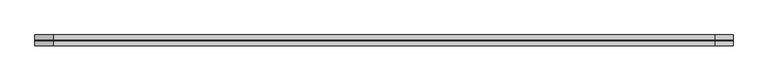
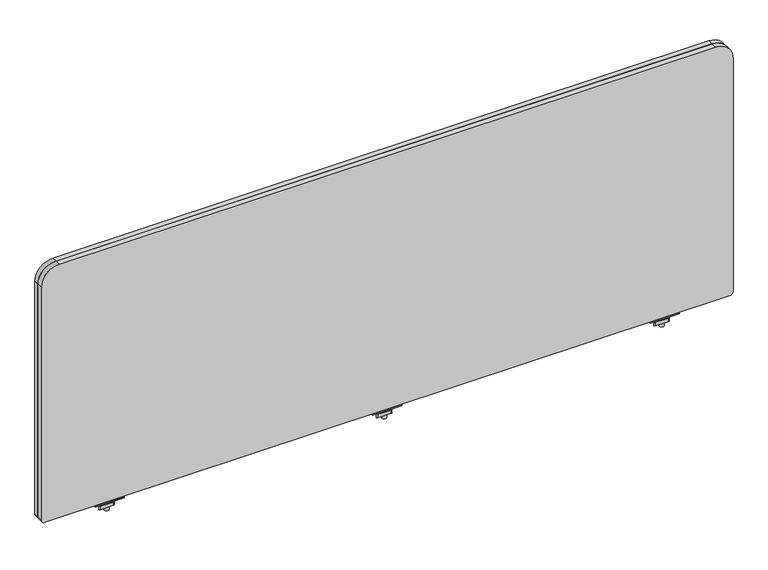
"""IFC4 building model written with IfcOpenShell, lengths in millimetres: furniture geometry."""

from ifc_helpers import new_model, si_unit, frame, origin, place, context, project, spatial, polyline, circle_curve, source, transform, mapped, element, save
from ifc_brep_helpers import plane_surface, cylinder_surface, revolved_surface, advanced_brep


def furniture_a3a7a8e6(model_context):
    return source(origin(), model_context, "Body", "AdvancedBrep", [
        advanced_brep(
        [(635.1013004, -29.196837, 670.6616072), (635.1013004, -33.5530914, 671.3021931), (635.1013004, -43.8905804, 671.3021931), (635.1013004, -48.246837, 670.6616072), (635.1013004, -48.246837, 668.8074326), (635.1013004, -29.196837, 668.8074326), (584.3013035, -29.196837, 670.6616072), (584.3013035, -29.196837, 668.8074326), (584.3013035, -48.246837, 668.8074326), (584.3013035, -48.246837, 670.6616072), (584.3013035, -43.8905804, 671.3021931), (584.3013035, -33.5530914, 671.3021931), (605.6085233, -38.7342719, 668.8074326), (613.5914767, -38.7342719, 668.8074326), (613.5914767, -38.7342719, 671.3021931), (605.6085233, -38.7342719, 671.3021931), (605.6085233, -38.7342719, 650.2879234), (613.5914767, -38.7342719, 650.2879234), (605.6085233, -38.7342719, 676.3883652), (613.5914767, -38.7342719, 676.3883652), (605.6085233, -38.7342719, 665.4211567), (613.5914767, -38.7342719, 665.4211567), (613.5914767, -38.7342719, 659.0711809), (605.6085233, -38.7342719, 659.0711809), (599.2839918, -33.0068357, 665.4211567), (593.1248209, -43.6748356, 665.4211567), (594.4446433, -45.9608347, 665.4211567), (617.4772346, -45.9608347, 665.4211567), (620.1168771, -44.4368361, 665.4211567), (626.2760487, -33.7688351, 665.4211567), (624.9562256, -31.4828349, 665.4211567), (601.9236383, -31.4828349, 665.4211567), (599.2839918, -33.0068357, 659.0711809), (601.9236383, -31.4828349, 659.0711809), (624.9562256, -31.4828349, 659.0711809), (626.2760487, -33.7688351, 659.0711809), (620.1168771, -44.4368361, 659.0711809), (617.4772346, -45.9608347, 659.0711809), (594.4446433, -45.9608347, 659.0711809), (593.1248209, -43.6748356, 659.0711809)],
        [
            (0, 1),
            (1, 2),
            (2, 3),
            (3, 4),
            (4, 5),
            (5, 0),
            (6, 7),
            (7, 8),
            (8, 9),
            (9, 10),
            (10, 11),
            (11, 6),
            (5, 7),
            (6, 0),
            (4, 8),
            (12, 13, circle_curve(frame((609.6, -38.7342719, 668.8074326), z_axis=(0.0, 0.0, 1.0), x_axis=(1.0, 0.0, 0.0)), 3.9914767)),
            (13, 12, circle_curve(frame((609.6, -38.7342719, 668.8074326), z_axis=(0.0, 0.0, 1.0), x_axis=(1.0, 0.0, 0.0)), 3.9914767)),
            (3, 9),
            (2, 10),
            (1, 11),
            (14, 15, circle_curve(frame((609.6, -38.7342719, 671.3021931), z_axis=(0.0, 0.0, -1.0), x_axis=(1.0, 0.0, 0.0)), 3.9914767)),
            (15, 14, circle_curve(frame((609.6, -38.7342719, 671.3021931), z_axis=(0.0, 0.0, -1.0), x_axis=(1.0, 0.0, 0.0)), 3.9914767)),
            (16, 17, circle_curve(frame((609.6, -38.7342719, 650.2879234), z_axis=(0.0, 0.0, -1.0), x_axis=(1.0, 0.0, 0.0)), 3.9914767)),
            (17, 16, circle_curve(frame((609.6, -38.7342719, 650.2879234), z_axis=(0.0, 0.0, -1.0), x_axis=(1.0, 0.0, 0.0)), 3.9914767)),
            (18, 19, circle_curve(frame((609.6, -38.7342719, 676.3883652), z_axis=(0.0, 0.0, 1.0), x_axis=(1.0, 0.0, 0.0)), 3.9914767)),
            (19, 18, circle_curve(frame((609.6, -38.7342719, 676.3883652), z_axis=(0.0, 0.0, 1.0), x_axis=(1.0, 0.0, 0.0)), 3.9914767)),
            (12, 20),
            (20, 21, circle_curve(frame((609.6, -38.7342719, 665.4211567), z_axis=(0.0, 0.0, 1.0), x_axis=(1.0, 0.0, 0.0)), 3.9914767)),
            (21, 13),
            (17, 22),
            (22, 23, circle_curve(frame((609.6, -38.7342719, 659.0711809), z_axis=(0.0, 0.0, -1.0), x_axis=(1.0, 0.0, 0.0)), 3.9914767)),
            (23, 16),
            (18, 15),
            (14, 19),
            (21, 20, circle_curve(frame((609.6, -38.7342719, 665.4211567), z_axis=(0.0, 0.0, 1.0), x_axis=(1.0, 0.0, 0.0)), 3.9914767)),
            (23, 22, circle_curve(frame((609.6, -38.7342719, 659.0711809), z_axis=(0.0, 0.0, -1.0), x_axis=(1.0, 0.0, 0.0)), 3.9914767)),
            (24, 25),
            (25, 26, circle_curve(frame((594.4446433, -44.4368352, 665.4211567), z_axis=(0.0, 0.0, 1.0), x_axis=(1.0, 0.0, 0.0)), 1.5239995)),
            (26, 27),
            (27, 28, circle_curve(frame((617.4772346, -42.9128382, 665.4211567), z_axis=(0.0, 0.0, 1.0), x_axis=(1.0, 0.0, 0.0)), 3.0479965)),
            (28, 29),
            (29, 30, circle_curve(frame((624.9562256, -33.0068351, 665.4211567), z_axis=(0.0, 0.0, 1.0), x_axis=(1.0, 0.0, 0.0)), 1.5240003)),
            (30, 31),
            (31, 24, circle_curve(frame((601.9236383, -34.5308359, 665.4211567), z_axis=(0.0, 0.0, 1.0), x_axis=(1.0, 0.0, 0.0)), 3.048001)),
            (32, 33, circle_curve(frame((601.9236383, -34.5308359, 659.0711809), z_axis=(0.0, 0.0, -1.0), x_axis=(1.0, 0.0, 0.0)), 3.048001)),
            (33, 34),
            (34, 35, circle_curve(frame((624.9562256, -33.0068351, 659.0711809), z_axis=(0.0, 0.0, -1.0), x_axis=(1.0, 0.0, 0.0)), 1.5240003)),
            (35, 36),
            (36, 37, circle_curve(frame((617.4772346, -42.9128382, 659.0711809), z_axis=(0.0, 0.0, -1.0), x_axis=(1.0, 0.0, 0.0)), 3.0479965)),
            (37, 38),
            (38, 39, circle_curve(frame((594.4446433, -44.4368352, 659.0711809), z_axis=(0.0, 0.0, -1.0), x_axis=(1.0, 0.0, 0.0)), 1.5239995)),
            (39, 32),
            (24, 32),
            (39, 25),
            (38, 26),
            (37, 27),
            (36, 28),
            (35, 29),
            (34, 30),
            (33, 31),
        ],
        [
            plane_surface(frame((635.1013004, -33.5530914, 671.3021931), z_axis=(1.0000000000000002, 0.0, 0.0), x_axis=(0.0, -0.9893604345476915, 0.14548515577749913))),
            plane_surface(frame((584.3013035, -33.5530914, 671.3021931), z_axis=(-1.0000000000000002, 0.0, 0.0), x_axis=(0.0, 0.9893604345476915, -0.14548515577749913))),
            plane_surface(frame((635.1013004, -29.196837, 668.8074326), z_axis=(0.0, 1.0, 0.0), x_axis=(-1.0, 0.0, 0.0))),
            plane_surface(frame((635.1013004, -48.246837, 668.8074326), z_axis=(0.0, 0.0, -1.0), x_axis=(-1.0, 0.0, 0.0))),
            plane_surface(frame((635.1013004, -48.246837, 670.6616072), z_axis=(0.0, -1.0, 0.0), x_axis=(-1.0, 0.0, 0.0))),
            plane_surface(frame((635.1013004, -43.8905804, 671.3021931), z_axis=(0.0, -0.1454850815406733, 0.9893604454641917), x_axis=(-1.0, 0.0, 0.0))),
            plane_surface(frame((635.1013004, -33.5530914, 671.3021931), z_axis=(0.0, 0.0, 1.0), x_axis=(-1.0, 0.0, 0.0))),
            plane_surface(frame((635.1013004, -29.196837, 670.6616072), z_axis=(0.0, 0.14548515577749913, 0.9893604345476915), x_axis=(-1.0, 0.0, 0.0))),
            plane_surface(frame((613.5914767, -38.7342719, 650.2879234), z_axis=(0.0, 0.0, -1.0), x_axis=(0.0, -1.0, 0.0))),
            plane_surface(frame((613.5914767, -38.7342719, 676.3883652), z_axis=(0.0, 0.0, 1.0), x_axis=(0.0, 1.0, 0.0))),
            cylinder_surface(frame((609.6, -38.7342719, 650.2879234), z_axis=(0.0, 0.0, 1.0), x_axis=(1.0, 0.0, 0.0)), 3.9914767),
            plane_surface(frame((593.1248201, -43.6748369, 665.4211567), z_axis=(0.0, 0.0, 1.0000000000000002), x_axis=(-0.4999998964528706, -0.8660254635673935, 0.0))),
            plane_surface(frame((593.1248201, -43.6748369, 659.0711809), z_axis=(0.0, 0.0, -1.0000000000000002), x_axis=(0.4999998964528706, 0.8660254635673935, 0.0))),
            plane_surface(frame((599.2839918, -33.0068357, 665.4211567), z_axis=(-0.8660254635673935, 0.4999998964528706, 0.0), x_axis=(0.0, 0.0, -1.0))),
            cylinder_surface(frame((594.4446433, -44.4368352, 659.0711809), z_axis=(0.0, 0.0, 1.0), x_axis=(1.0, 0.0, 0.0)), 1.5239995),
            plane_surface(frame((594.4446433, -45.9608347, 665.4211567), z_axis=(0.0, -1.0, 0.0), x_axis=(0.0, 0.0, -1.0))),
            cylinder_surface(frame((617.4772346, -42.9128382, 659.0711809), z_axis=(0.0, 0.0, 1.0), x_axis=(1.0, 0.0, 0.0)), 3.0479965),
            plane_surface(frame((620.1168771, -44.4368361, 665.4211567), z_axis=(0.8660254635674228, -0.4999998964528197, 0.0), x_axis=(0.0, 0.0, -1.0))),
            cylinder_surface(frame((624.9562256, -33.0068351, 659.0711809), z_axis=(0.0, 0.0, 1.0), x_axis=(1.0, 0.0, 0.0)), 1.5240003),
            plane_surface(frame((624.9562256, -31.4828349, 665.4211567), z_axis=(0.0, 1.0, 0.0), x_axis=(0.0, 0.0, -1.0))),
            cylinder_surface(frame((601.9236383, -34.5308359, 659.0711809), z_axis=(0.0, 0.0, 1.0), x_axis=(1.0, 0.0, 0.0)), 3.048001),
        ],
        [
            (0, [[1, 2, 3, 4, 5, 6]]),
            (1, [[7, 8, 9, 10, 11, 12]]),
            (2, [[-6, 13, -7, 14]]),
            (3, [[-5, 15, -8, -13], [16, 17]]),
            (4, [[-4, 18, -9, -15]]),
            (5, [[-3, 19, -10, -18]]),
            (6, [[-2, 20, -11, -19], [21, 22]]),
            (7, [[-1, -14, -12, -20]]),
            (8, [[23, 24]]),
            (9, [[25, 26]]),
            (10, [[-16, 27, 28, 29]]),
            (10, [[-24, 30, 31, 32]]),
            (10, [[-25, 33, -21, 34]]),
            (10, [[-17, -29, 35, -27]]),
            (10, [[-23, -32, 36, -30]]),
            (10, [[-26, -34, -22, -33]]),
            (11, [[37, 38, 39, 40, 41, 42, 43, 44], [-28, -35]]),
            (12, [[45, 46, 47, 48, 49, 50, 51, 52], [-31, -36]]),
            (13, [[-37, 53, -52, 54]]),
            (14, [[-38, -54, -51, 55]]),
            (15, [[-39, -55, -50, 56]]),
            (16, [[-40, -56, -49, 57]]),
            (17, [[-41, -57, -48, 58]]),
            (18, [[-42, -58, -47, 59]]),
            (19, [[-43, -59, -46, 60]]),
            (20, [[-44, -60, -45, -53]]),
        ],
    ),
        advanced_brep(
        [(1123.0353004, -29.196837, 670.6616072), (1123.0353004, -33.5530914, 671.3021931), (1123.0353004, -43.8905804, 671.3021931), (1123.0353004, -48.246837, 670.6616072), (1123.0353004, -48.246837, 668.8074326), (1123.0353004, -29.196837, 668.8074326), (1072.2353035, -29.196837, 670.6616072), (1072.2353035, -29.196837, 668.8074326), (1072.2353035, -48.246837, 668.8074326), (1072.2353035, -48.246837, 670.6616072), (1072.2353035, -43.8905804, 671.3021931), (1072.2353035, -33.5530914, 671.3021931), (1093.5425233, -38.7342719, 668.8074326), (1101.5254767, -38.7342719, 668.8074326), (1101.5254767, -38.7342719, 671.3021931), (1093.5425233, -38.7342719, 671.3021931), (1093.5425233, -38.7342719, 650.2879234), (1101.5254767, -38.7342719, 650.2879234), (1093.5425233, -38.7342719, 676.3883652), (1101.5254767, -38.7342719, 676.3883652), (1093.5425233, -38.7342719, 665.4211567), (1101.5254767, -38.7342719, 665.4211567), (1101.5254767, -38.7342719, 659.0711809), (1093.5425233, -38.7342719, 659.0711809), (1087.2179918, -33.0068357, 665.4211567), (1081.0588209, -43.6748356, 665.4211567), (1082.3786433, -45.9608347, 665.4211567), (1105.4112346, -45.9608347, 665.4211567), (1108.0508771, -44.4368361, 665.4211567), (1114.2100487, -33.7688351, 665.4211567), (1112.8902256, -31.4828349, 665.4211567), (1089.8576383, -31.4828349, 665.4211567), (1087.2179918, -33.0068357, 659.0711809), (1089.8576383, -31.4828349, 659.0711809), (1112.8902256, -31.4828349, 659.0711809), (1114.2100487, -33.7688351, 659.0711809), (1108.0508771, -44.4368361, 659.0711809), (1105.4112346, -45.9608347, 659.0711809), (1082.3786433, -45.9608347, 659.0711809), (1081.0588209, -43.6748356, 659.0711809)],
        [
            (0, 1),
            (1, 2),
            (2, 3),
            (3, 4),
            (4, 5),
            (5, 0),
            (6, 7),
            (7, 8),
            (8, 9),
            (9, 10),
            (10, 11),
            (11, 6),
            (5, 7),
            (6, 0),
            (4, 8),
            (12, 13, circle_curve(frame((1097.534, -38.7342719, 668.8074326), z_axis=(0.0, 0.0, 1.0), x_axis=(1.0, 0.0, 0.0)), 3.9914767)),
            (13, 12, circle_curve(frame((1097.534, -38.7342719, 668.8074326), z_axis=(0.0, 0.0, 1.0), x_axis=(1.0, 0.0, 0.0)), 3.9914767)),
            (3, 9),
            (2, 10),
            (1, 11),
            (14, 15, circle_curve(frame((1097.534, -38.7342719, 671.3021931), z_axis=(0.0, 0.0, -1.0), x_axis=(1.0, 0.0, 0.0)), 3.9914767)),
            (15, 14, circle_curve(frame((1097.534, -38.7342719, 671.3021931), z_axis=(0.0, 0.0, -1.0), x_axis=(1.0, 0.0, 0.0)), 3.9914767)),
            (16, 17, circle_curve(frame((1097.534, -38.7342719, 650.2879234), z_axis=(0.0, 0.0, -1.0), x_axis=(1.0, 0.0, 0.0)), 3.9914767)),
            (17, 16, circle_curve(frame((1097.534, -38.7342719, 650.2879234), z_axis=(0.0, 0.0, -1.0), x_axis=(1.0, 0.0, 0.0)), 3.9914767)),
            (18, 19, circle_curve(frame((1097.534, -38.7342719, 676.3883652), z_axis=(0.0, 0.0, 1.0), x_axis=(1.0, 0.0, 0.0)), 3.9914767)),
            (19, 18, circle_curve(frame((1097.534, -38.7342719, 676.3883652), z_axis=(0.0, 0.0, 1.0), x_axis=(1.0, 0.0, 0.0)), 3.9914767)),
            (12, 20),
            (20, 21, circle_curve(frame((1097.534, -38.7342719, 665.4211567), z_axis=(0.0, 0.0, 1.0), x_axis=(1.0, 0.0, 0.0)), 3.9914767)),
            (21, 13),
            (17, 22),
            (22, 23, circle_curve(frame((1097.534, -38.7342719, 659.0711809), z_axis=(0.0, 0.0, -1.0), x_axis=(1.0, 0.0, 0.0)), 3.9914767)),
            (23, 16),
            (18, 15),
            (14, 19),
            (21, 20, circle_curve(frame((1097.534, -38.7342719, 665.4211567), z_axis=(0.0, 0.0, 1.0), x_axis=(1.0, 0.0, 0.0)), 3.9914767)),
            (23, 22, circle_curve(frame((1097.534, -38.7342719, 659.0711809), z_axis=(0.0, 0.0, -1.0), x_axis=(1.0, 0.0, 0.0)), 3.9914767)),
            (24, 25),
            (25, 26, circle_curve(frame((1082.3786433, -44.4368352, 665.4211567), z_axis=(0.0, 0.0, 1.0), x_axis=(1.0, 0.0, 0.0)), 1.5239995)),
            (26, 27),
            (27, 28, circle_curve(frame((1105.4112346, -42.9128382, 665.4211567), z_axis=(0.0, 0.0, 1.0), x_axis=(1.0, 0.0, 0.0)), 3.0479965)),
            (28, 29),
            (29, 30, circle_curve(frame((1112.8902256, -33.0068351, 665.4211567), z_axis=(0.0, 0.0, 1.0), x_axis=(1.0, 0.0, 0.0)), 1.5240003)),
            (30, 31),
            (31, 24, circle_curve(frame((1089.8576383, -34.5308359, 665.4211567), z_axis=(0.0, 0.0, 1.0), x_axis=(1.0, 0.0, 0.0)), 3.048001)),
            (32, 33, circle_curve(frame((1089.8576383, -34.5308359, 659.0711809), z_axis=(0.0, 0.0, -1.0), x_axis=(1.0, 0.0, 0.0)), 3.048001)),
            (33, 34),
            (34, 35, circle_curve(frame((1112.8902256, -33.0068351, 659.0711809), z_axis=(0.0, 0.0, -1.0), x_axis=(1.0, 0.0, 0.0)), 1.5240003)),
            (35, 36),
            (36, 37, circle_curve(frame((1105.4112346, -42.9128382, 659.0711809), z_axis=(0.0, 0.0, -1.0), x_axis=(1.0, 0.0, 0.0)), 3.0479965)),
            (37, 38),
            (38, 39, circle_curve(frame((1082.3786433, -44.4368352, 659.0711809), z_axis=(0.0, 0.0, -1.0), x_axis=(1.0, 0.0, 0.0)), 1.5239995)),
            (39, 32),
            (24, 32),
            (39, 25),
            (38, 26),
            (37, 27),
            (36, 28),
            (35, 29),
            (34, 30),
            (33, 31),
        ],
        [
            plane_surface(frame((1123.0353004, -33.5530914, 671.3021931), z_axis=(1.0000000000000002, 0.0, 0.0), x_axis=(0.0, -0.9893604345476915, 0.14548515577749913))),
            plane_surface(frame((1072.2353035, -33.5530914, 671.3021931), z_axis=(-1.0000000000000002, 0.0, 0.0), x_axis=(0.0, 0.9893604345476915, -0.14548515577749913))),
            plane_surface(frame((1123.0353004, -29.196837, 668.8074326), z_axis=(0.0, 1.0, 0.0), x_axis=(-1.0, 0.0, 0.0))),
            plane_surface(frame((1123.0353004, -48.246837, 668.8074326), z_axis=(0.0, 0.0, -1.0), x_axis=(-1.0, 0.0, 0.0))),
            plane_surface(frame((1123.0353004, -48.246837, 670.6616072), z_axis=(0.0, -1.0, 0.0), x_axis=(-1.0, 0.0, 0.0))),
            plane_surface(frame((1123.0353004, -43.8905804, 671.3021931), z_axis=(0.0, -0.1454850815406733, 0.9893604454641917), x_axis=(-1.0, 0.0, 0.0))),
            plane_surface(frame((1123.0353004, -33.5530914, 671.3021931), z_axis=(0.0, 0.0, 1.0), x_axis=(-1.0, 0.0, 0.0))),
            plane_surface(frame((1123.0353004, -29.196837, 670.6616072), z_axis=(0.0, 0.14548515577749913, 0.9893604345476915), x_axis=(-1.0, 0.0, 0.0))),
            plane_surface(frame((1101.5254767, -38.7342719, 650.2879234), z_axis=(0.0, 0.0, -1.0), x_axis=(0.0, -1.0, 0.0))),
            plane_surface(frame((1101.5254767, -38.7342719, 676.3883652), z_axis=(0.0, 0.0, 1.0), x_axis=(0.0, 1.0, 0.0))),
            cylinder_surface(frame((1097.534, -38.7342719, 650.2879234), z_axis=(0.0, 0.0, 1.0), x_axis=(1.0, 0.0, 0.0)), 3.9914767),
            plane_surface(frame((1081.0588201, -43.6748369, 665.4211567), z_axis=(0.0, 0.0, 1.0000000000000002), x_axis=(-0.4999998964528706, -0.8660254635673935, 0.0))),
            plane_surface(frame((1081.0588201, -43.6748369, 659.0711809), z_axis=(0.0, 0.0, -1.0000000000000002), x_axis=(0.4999998964528706, 0.8660254635673935, 0.0))),
            plane_surface(frame((1087.2179918, -33.0068357, 665.4211567), z_axis=(-0.8660254635673935, 0.4999998964528706, 0.0), x_axis=(0.0, 0.0, -1.0))),
            cylinder_surface(frame((1082.3786433, -44.4368352, 659.0711809), z_axis=(0.0, 0.0, 1.0), x_axis=(1.0, 0.0, 0.0)), 1.5239995),
            plane_surface(frame((1082.3786433, -45.9608347, 665.4211567), z_axis=(0.0, -1.0, 0.0), x_axis=(0.0, 0.0, -1.0))),
            cylinder_surface(frame((1105.4112346, -42.9128382, 659.0711809), z_axis=(0.0, 0.0, 1.0), x_axis=(1.0, 0.0, 0.0)), 3.0479965),
            plane_surface(frame((1108.0508771, -44.4368361, 665.4211567), z_axis=(0.8660254635674228, -0.4999998964528197, 0.0), x_axis=(0.0, 0.0, -1.0))),
            cylinder_surface(frame((1112.8902256, -33.0068351, 659.0711809), z_axis=(0.0, 0.0, 1.0), x_axis=(1.0, 0.0, 0.0)), 1.5240003),
            plane_surface(frame((1112.8902256, -31.4828349, 665.4211567), z_axis=(0.0, 1.0, 0.0), x_axis=(0.0, 0.0, -1.0))),
            cylinder_surface(frame((1089.8576383, -34.5308359, 659.0711809), z_axis=(0.0, 0.0, 1.0), x_axis=(1.0, 0.0, 0.0)), 3.048001),
        ],
        [
            (0, [[1, 2, 3, 4, 5, 6]]),
            (1, [[7, 8, 9, 10, 11, 12]]),
            (2, [[-6, 13, -7, 14]]),
            (3, [[-5, 15, -8, -13], [16, 17]]),
            (4, [[-4, 18, -9, -15]]),
            (5, [[-3, 19, -10, -18]]),
            (6, [[-2, 20, -11, -19], [21, 22]]),
            (7, [[-1, -14, -12, -20]]),
            (8, [[23, 24]]),
            (9, [[25, 26]]),
            (10, [[-16, 27, 28, 29]]),
            (10, [[-24, 30, 31, 32]]),
            (10, [[-25, 33, -21, 34]]),
            (10, [[-17, -29, 35, -27]]),
            (10, [[-23, -32, 36, -30]]),
            (10, [[-26, -34, -22, -33]]),
            (11, [[37, 38, 39, 40, 41, 42, 43, 44], [-28, -35]]),
            (12, [[45, 46, 47, 48, 49, 50, 51, 52], [-31, -36]]),
            (13, [[-37, 53, -52, 54]]),
            (14, [[-38, -54, -51, 55]]),
            (15, [[-39, -55, -50, 56]]),
            (16, [[-40, -56, -49, 57]]),
            (17, [[-41, -57, -48, 58]]),
            (18, [[-42, -58, -47, 59]]),
            (19, [[-43, -59, -46, 60]]),
            (20, [[-44, -60, -45, -53]]),
        ],
    ),
        advanced_brep(
        [(635.1013004, -29.196837, 670.6616072), (635.1013004, -33.5530914, 671.3021931), (635.1013004, -43.8905804, 671.3021931), (635.1013004, -48.246837, 670.6616072), (635.1013004, -48.246837, 668.8074326), (635.1013004, -29.196837, 668.8074326), (584.3013035, -29.196837, 670.6616072), (584.3013035, -29.196837, 668.8074326), (584.3013035, -48.246837, 668.8074326), (584.3013035, -48.246837, 670.6616072), (584.3013035, -43.8905804, 671.3021931), (584.3013035, -33.5530914, 671.3021931), (605.6085233, -38.7342719, 668.8074326), (613.5914767, -38.7342719, 668.8074326), (613.5914767, -38.7342719, 671.3021931), (605.6085233, -38.7342719, 671.3021931), (605.6085233, -38.7342719, 650.2879234), (613.5914767, -38.7342719, 650.2879234), (605.6085233, -38.7342719, 676.3883652), (613.5914767, -38.7342719, 676.3883652), (605.6085233, -38.7342719, 665.4211567), (613.5914767, -38.7342719, 665.4211567), (613.5914767, -38.7342719, 659.0711809), (605.6085233, -38.7342719, 659.0711809), (599.2839918, -33.0068357, 665.4211567), (593.1248209, -43.6748356, 665.4211567), (594.4446433, -45.9608347, 665.4211567), (617.4772346, -45.9608347, 665.4211567), (620.1168771, -44.4368361, 665.4211567), (626.2760487, -33.7688351, 665.4211567), (624.9562256, -31.4828349, 665.4211567), (601.9236383, -31.4828349, 665.4211567), (599.2839918, -33.0068357, 659.0711809), (601.9236383, -31.4828349, 659.0711809), (624.9562256, -31.4828349, 659.0711809), (626.2760487, -33.7688351, 659.0711809), (620.1168771, -44.4368361, 659.0711809), (617.4772346, -45.9608347, 659.0711809), (594.4446433, -45.9608347, 659.0711809), (593.1248209, -43.6748356, 659.0711809)],
        [
            (0, 1),
            (1, 2),
            (2, 3),
            (3, 4),
            (4, 5),
            (5, 0),
            (6, 7),
            (7, 8),
            (8, 9),
            (9, 10),
            (10, 11),
            (11, 6),
            (5, 7),
            (6, 0),
            (4, 8),
            (12, 13, circle_curve(frame((609.6, -38.7342719, 668.8074326), z_axis=(0.0, 0.0, 1.0), x_axis=(1.0, 0.0, 0.0)), 3.9914767)),
            (13, 12, circle_curve(frame((609.6, -38.7342719, 668.8074326), z_axis=(0.0, 0.0, 1.0), x_axis=(1.0, 0.0, 0.0)), 3.9914767)),
            (3, 9),
            (2, 10),
            (1, 11),
            (14, 15, circle_curve(frame((609.6, -38.7342719, 671.3021931), z_axis=(0.0, 0.0, -1.0), x_axis=(1.0, 0.0, 0.0)), 3.9914767)),
            (15, 14, circle_curve(frame((609.6, -38.7342719, 671.3021931), z_axis=(0.0, 0.0, -1.0), x_axis=(1.0, 0.0, 0.0)), 3.9914767)),
            (16, 17, circle_curve(frame((609.6, -38.7342719, 650.2879234), z_axis=(0.0, 0.0, -1.0), x_axis=(1.0, 0.0, 0.0)), 3.9914767)),
            (17, 16, circle_curve(frame((609.6, -38.7342719, 650.2879234), z_axis=(0.0, 0.0, -1.0), x_axis=(1.0, 0.0, 0.0)), 3.9914767)),
            (18, 19, circle_curve(frame((609.6, -38.7342719, 676.3883652), z_axis=(0.0, 0.0, 1.0), x_axis=(1.0, 0.0, 0.0)), 3.9914767)),
            (19, 18, circle_curve(frame((609.6, -38.7342719, 676.3883652), z_axis=(0.0, 0.0, 1.0), x_axis=(1.0, 0.0, 0.0)), 3.9914767)),
            (12, 20),
            (20, 21, circle_curve(frame((609.6, -38.7342719, 665.4211567), z_axis=(0.0, 0.0, 1.0), x_axis=(1.0, 0.0, 0.0)), 3.9914767)),
            (21, 13),
            (17, 22),
            (22, 23, circle_curve(frame((609.6, -38.7342719, 659.0711809), z_axis=(0.0, 0.0, -1.0), x_axis=(1.0, 0.0, 0.0)), 3.9914767)),
            (23, 16),
            (18, 15),
            (14, 19),
            (21, 20, circle_curve(frame((609.6, -38.7342719, 665.4211567), z_axis=(0.0, 0.0, 1.0), x_axis=(1.0, 0.0, 0.0)), 3.9914767)),
            (23, 22, circle_curve(frame((609.6, -38.7342719, 659.0711809), z_axis=(0.0, 0.0, -1.0), x_axis=(1.0, 0.0, 0.0)), 3.9914767)),
            (24, 25),
            (25, 26, circle_curve(frame((594.4446433, -44.4368352, 665.4211567), z_axis=(0.0, 0.0, 1.0), x_axis=(1.0, 0.0, 0.0)), 1.5239995)),
            (26, 27),
            (27, 28, circle_curve(frame((617.4772346, -42.9128382, 665.4211567), z_axis=(0.0, 0.0, 1.0), x_axis=(1.0, 0.0, 0.0)), 3.0479965)),
            (28, 29),
            (29, 30, circle_curve(frame((624.9562256, -33.0068351, 665.4211567), z_axis=(0.0, 0.0, 1.0), x_axis=(1.0, 0.0, 0.0)), 1.5240003)),
            (30, 31),
            (31, 24, circle_curve(frame((601.9236383, -34.5308359, 665.4211567), z_axis=(0.0, 0.0, 1.0), x_axis=(1.0, 0.0, 0.0)), 3.048001)),
            (32, 33, circle_curve(frame((601.9236383, -34.5308359, 659.0711809), z_axis=(0.0, 0.0, -1.0), x_axis=(1.0, 0.0, 0.0)), 3.048001)),
            (33, 34),
            (34, 35, circle_curve(frame((624.9562256, -33.0068351, 659.0711809), z_axis=(0.0, 0.0, -1.0), x_axis=(1.0, 0.0, 0.0)), 1.5240003)),
            (35, 36),
            (36, 37, circle_curve(frame((617.4772346, -42.9128382, 659.0711809), z_axis=(0.0, 0.0, -1.0), x_axis=(1.0, 0.0, 0.0)), 3.0479965)),
            (37, 38),
            (38, 39, circle_curve(frame((594.4446433, -44.4368352, 659.0711809), z_axis=(0.0, 0.0, -1.0), x_axis=(1.0, 0.0, 0.0)), 1.5239995)),
            (39, 32),
            (24, 32),
            (39, 25),
            (38, 26),
            (37, 27),
            (36, 28),
            (35, 29),
            (34, 30),
            (33, 31),
        ],
        [
            plane_surface(frame((635.1013004, -33.5530914, 671.3021931), z_axis=(1.0000000000000002, 0.0, 0.0), x_axis=(0.0, -0.9893604345476915, 0.14548515577749913))),
            plane_surface(frame((584.3013035, -33.5530914, 671.3021931), z_axis=(-1.0000000000000002, 0.0, 0.0), x_axis=(0.0, 0.9893604345476915, -0.14548515577749913))),
            plane_surface(frame((635.1013004, -29.196837, 668.8074326), z_axis=(0.0, 1.0, 0.0), x_axis=(-1.0, 0.0, 0.0))),
            plane_surface(frame((635.1013004, -48.246837, 668.8074326), z_axis=(0.0, 0.0, -1.0), x_axis=(-1.0, 0.0, 0.0))),
            plane_surface(frame((635.1013004, -48.246837, 670.6616072), z_axis=(0.0, -1.0, 0.0), x_axis=(-1.0, 0.0, 0.0))),
            plane_surface(frame((635.1013004, -43.8905804, 671.3021931), z_axis=(0.0, -0.1454850815406733, 0.9893604454641917), x_axis=(-1.0, 0.0, 0.0))),
            plane_surface(frame((635.1013004, -33.5530914, 671.3021931), z_axis=(0.0, 0.0, 1.0), x_axis=(-1.0, 0.0, 0.0))),
            plane_surface(frame((635.1013004, -29.196837, 670.6616072), z_axis=(0.0, 0.14548515577749913, 0.9893604345476915), x_axis=(-1.0, 0.0, 0.0))),
            plane_surface(frame((613.5914767, -38.7342719, 650.2879234), z_axis=(0.0, 0.0, -1.0), x_axis=(0.0, -1.0, 0.0))),
            plane_surface(frame((613.5914767, -38.7342719, 676.3883652), z_axis=(0.0, 0.0, 1.0), x_axis=(0.0, 1.0, 0.0))),
            cylinder_surface(frame((609.6, -38.7342719, 650.2879234), z_axis=(0.0, 0.0, 1.0), x_axis=(1.0, 0.0, 0.0)), 3.9914767),
            plane_surface(frame((593.1248201, -43.6748369, 665.4211567), z_axis=(0.0, 0.0, 1.0000000000000002), x_axis=(-0.4999998964528706, -0.8660254635673935, 0.0))),
            plane_surface(frame((593.1248201, -43.6748369, 659.0711809), z_axis=(0.0, 0.0, -1.0000000000000002), x_axis=(0.4999998964528706, 0.8660254635673935, 0.0))),
            plane_surface(frame((599.2839918, -33.0068357, 665.4211567), z_axis=(-0.8660254635673935, 0.4999998964528706, 0.0), x_axis=(0.0, 0.0, -1.0))),
            cylinder_surface(frame((594.4446433, -44.4368352, 659.0711809), z_axis=(0.0, 0.0, 1.0), x_axis=(1.0, 0.0, 0.0)), 1.5239995),
            plane_surface(frame((594.4446433, -45.9608347, 665.4211567), z_axis=(0.0, -1.0, 0.0), x_axis=(0.0, 0.0, -1.0))),
            cylinder_surface(frame((617.4772346, -42.9128382, 659.0711809), z_axis=(0.0, 0.0, 1.0), x_axis=(1.0, 0.0, 0.0)), 3.0479965),
            plane_surface(frame((620.1168771, -44.4368361, 665.4211567), z_axis=(0.8660254635674228, -0.4999998964528197, 0.0), x_axis=(0.0, 0.0, -1.0))),
            cylinder_surface(frame((624.9562256, -33.0068351, 659.0711809), z_axis=(0.0, 0.0, 1.0), x_axis=(1.0, 0.0, 0.0)), 1.5240003),
            plane_surface(frame((624.9562256, -31.4828349, 665.4211567), z_axis=(0.0, 1.0, 0.0), x_axis=(0.0, 0.0, -1.0))),
            cylinder_surface(frame((601.9236383, -34.5308359, 659.0711809), z_axis=(0.0, 0.0, 1.0), x_axis=(1.0, 0.0, 0.0)), 3.048001),
        ],
        [
            (0, [[1, 2, 3, 4, 5, 6]]),
            (1, [[7, 8, 9, 10, 11, 12]]),
            (2, [[-6, 13, -7, 14]]),
            (3, [[-5, 15, -8, -13], [16, 17]]),
            (4, [[-4, 18, -9, -15]]),
            (5, [[-3, 19, -10, -18]]),
            (6, [[-2, 20, -11, -19], [21, 22]]),
            (7, [[-1, -14, -12, -20]]),
            (8, [[23, 24]]),
            (9, [[25, 26]]),
            (10, [[-16, 27, 28, 29]]),
            (10, [[-24, 30, 31, 32]]),
            (10, [[-25, 33, -21, 34]]),
            (10, [[-17, -29, 35, -27]]),
            (10, [[-23, -32, 36, -30]]),
            (10, [[-26, -34, -22, -33]]),
            (11, [[37, 38, 39, 40, 41, 42, 43, 44], [-28, -35]]),
            (12, [[45, 46, 47, 48, 49, 50, 51, 52], [-31, -36]]),
            (13, [[-37, 53, -52, 54]]),
            (14, [[-38, -54, -51, 55]]),
            (15, [[-39, -55, -50, 56]]),
            (16, [[-40, -56, -49, 57]]),
            (17, [[-41, -57, -48, 58]]),
            (18, [[-42, -58, -47, 59]]),
            (19, [[-43, -59, -46, 60]]),
            (20, [[-44, -60, -45, -53]]),
        ],
    ),
        advanced_brep(
        [(147.1673004, -29.196837, 670.6616072), (147.1673004, -33.5530914, 671.3021931), (147.1673004, -43.8905804, 671.3021931), (147.1673004, -48.246837, 670.6616072), (147.1673004, -48.246837, 668.8074326), (147.1673004, -29.196837, 668.8074326), (96.3673035, -29.196837, 670.6616072), (96.3673035, -29.196837, 668.8074326), (96.3673035, -48.246837, 668.8074326), (96.3673035, -48.246837, 670.6616072), (96.3673035, -43.8905804, 671.3021931), (96.3673035, -33.5530914, 671.3021931), (117.6745233, -38.7342719, 668.8074326), (125.6574767, -38.7342719, 668.8074326), (125.6574767, -38.7342719, 671.3021931), (117.6745233, -38.7342719, 671.3021931), (117.6745233, -38.7342719, 650.2879234), (125.6574767, -38.7342719, 650.2879234), (117.6745233, -38.7342719, 676.3883652), (125.6574767, -38.7342719, 676.3883652), (117.6745233, -38.7342719, 665.4211567), (125.6574767, -38.7342719, 665.4211567), (125.6574767, -38.7342719, 659.0711809), (117.6745233, -38.7342719, 659.0711809), (111.3499918, -33.0068357, 665.4211567), (105.1908209, -43.6748356, 665.4211567), (106.5106433, -45.9608347, 665.4211567), (129.5432346, -45.9608347, 665.4211567), (132.1828771, -44.4368361, 665.4211567), (138.3420487, -33.7688351, 665.4211567), (137.0222256, -31.4828349, 665.4211567), (113.9896383, -31.4828349, 665.4211567), (111.3499918, -33.0068357, 659.0711809), (113.9896383, -31.4828349, 659.0711809), (137.0222256, -31.4828349, 659.0711809), (138.3420487, -33.7688351, 659.0711809), (132.1828771, -44.4368361, 659.0711809), (129.5432346, -45.9608347, 659.0711809), (106.5106433, -45.9608347, 659.0711809), (105.1908209, -43.6748356, 659.0711809)],
        [
            (0, 1),
            (1, 2),
            (2, 3),
            (3, 4),
            (4, 5),
            (5, 0),
            (6, 7),
            (7, 8),
            (8, 9),
            (9, 10),
            (10, 11),
            (11, 6),
            (5, 7),
            (6, 0),
            (4, 8),
            (12, 13, circle_curve(frame((121.666, -38.7342719, 668.8074326), z_axis=(0.0, 0.0, 1.0), x_axis=(1.0, 0.0, 0.0)), 3.9914767)),
            (13, 12, circle_curve(frame((121.666, -38.7342719, 668.8074326), z_axis=(0.0, 0.0, 1.0), x_axis=(1.0, 0.0, 0.0)), 3.9914767)),
            (3, 9),
            (2, 10),
            (1, 11),
            (14, 15, circle_curve(frame((121.666, -38.7342719, 671.3021931), z_axis=(0.0, 0.0, -1.0), x_axis=(1.0, 0.0, 0.0)), 3.9914767)),
            (15, 14, circle_curve(frame((121.666, -38.7342719, 671.3021931), z_axis=(0.0, 0.0, -1.0), x_axis=(1.0, 0.0, 0.0)), 3.9914767)),
            (16, 17, circle_curve(frame((121.666, -38.7342719, 650.2879234), z_axis=(0.0, 0.0, -1.0), x_axis=(1.0, 0.0, 0.0)), 3.9914767)),
            (17, 16, circle_curve(frame((121.666, -38.7342719, 650.2879234), z_axis=(0.0, 0.0, -1.0), x_axis=(1.0, 0.0, 0.0)), 3.9914767)),
            (18, 19, circle_curve(frame((121.666, -38.7342719, 676.3883652), z_axis=(0.0, 0.0, 1.0), x_axis=(1.0, 0.0, 0.0)), 3.9914767)),
            (19, 18, circle_curve(frame((121.666, -38.7342719, 676.3883652), z_axis=(0.0, 0.0, 1.0), x_axis=(1.0, 0.0, 0.0)), 3.9914767)),
            (12, 20),
            (20, 21, circle_curve(frame((121.666, -38.7342719, 665.4211567), z_axis=(0.0, 0.0, 1.0), x_axis=(1.0, 0.0, 0.0)), 3.9914767)),
            (21, 13),
            (17, 22),
            (22, 23, circle_curve(frame((121.666, -38.7342719, 659.0711809), z_axis=(0.0, 0.0, -1.0), x_axis=(1.0, 0.0, 0.0)), 3.9914767)),
            (23, 16),
            (18, 15),
            (14, 19),
            (21, 20, circle_curve(frame((121.666, -38.7342719, 665.4211567), z_axis=(0.0, 0.0, 1.0), x_axis=(1.0, 0.0, 0.0)), 3.9914767)),
            (23, 22, circle_curve(frame((121.666, -38.7342719, 659.0711809), z_axis=(0.0, 0.0, -1.0), x_axis=(1.0, 0.0, 0.0)), 3.9914767)),
            (24, 25),
            (25, 26, circle_curve(frame((106.5106433, -44.4368352, 665.4211567), z_axis=(0.0, 0.0, 1.0), x_axis=(1.0, 0.0, 0.0)), 1.5239995)),
            (26, 27),
            (27, 28, circle_curve(frame((129.5432346, -42.9128382, 665.4211567), z_axis=(0.0, 0.0, 1.0), x_axis=(1.0, 0.0, 0.0)), 3.0479965)),
            (28, 29),
            (29, 30, circle_curve(frame((137.0222256, -33.0068351, 665.4211567), z_axis=(0.0, 0.0, 1.0), x_axis=(1.0, 0.0, 0.0)), 1.5240003)),
            (30, 31),
            (31, 24, circle_curve(frame((113.9896383, -34.5308359, 665.4211567), z_axis=(0.0, 0.0, 1.0), x_axis=(1.0, 0.0, 0.0)), 3.048001)),
            (32, 33, circle_curve(frame((113.9896383, -34.5308359, 659.0711809), z_axis=(0.0, 0.0, -1.0), x_axis=(1.0, 0.0, 0.0)), 3.048001)),
            (33, 34),
            (34, 35, circle_curve(frame((137.0222256, -33.0068351, 659.0711809), z_axis=(0.0, 0.0, -1.0), x_axis=(1.0, 0.0, 0.0)), 1.5240003)),
            (35, 36),
            (36, 37, circle_curve(frame((129.5432346, -42.9128382, 659.0711809), z_axis=(0.0, 0.0, -1.0), x_axis=(1.0, 0.0, 0.0)), 3.0479965)),
            (37, 38),
            (38, 39, circle_curve(frame((106.5106433, -44.4368352, 659.0711809), z_axis=(0.0, 0.0, -1.0), x_axis=(1.0, 0.0, 0.0)), 1.5239995)),
            (39, 32),
            (24, 32),
            (39, 25),
            (38, 26),
            (37, 27),
            (36, 28),
            (35, 29),
            (34, 30),
            (33, 31),
        ],
        [
            plane_surface(frame((147.1673004, -33.5530914, 671.3021931), z_axis=(1.0000000000000002, 0.0, 0.0), x_axis=(0.0, -0.9893604345476915, 0.14548515577749913))),
            plane_surface(frame((96.3673035, -33.5530914, 671.3021931), z_axis=(-1.0000000000000002, 0.0, 0.0), x_axis=(0.0, 0.9893604345476915, -0.14548515577749913))),
            plane_surface(frame((147.1673004, -29.196837, 668.8074326), z_axis=(0.0, 1.0, 0.0), x_axis=(-1.0, 0.0, 0.0))),
            plane_surface(frame((147.1673004, -48.246837, 668.8074326), z_axis=(0.0, 0.0, -1.0), x_axis=(-1.0, 0.0, 0.0))),
            plane_surface(frame((147.1673004, -48.246837, 670.6616072), z_axis=(0.0, -1.0, 0.0), x_axis=(-1.0, 0.0, 0.0))),
            plane_surface(frame((147.1673004, -43.8905804, 671.3021931), z_axis=(0.0, -0.1454850815406733, 0.9893604454641917), x_axis=(-1.0, 0.0, 0.0))),
            plane_surface(frame((147.1673004, -33.5530914, 671.3021931), z_axis=(0.0, 0.0, 1.0), x_axis=(-1.0, 0.0, 0.0))),
            plane_surface(frame((147.1673004, -29.196837, 670.6616072), z_axis=(0.0, 0.14548515577749913, 0.9893604345476915), x_axis=(-1.0, 0.0, 0.0))),
            plane_surface(frame((125.6574767, -38.7342719, 650.2879234), z_axis=(0.0, 0.0, -1.0), x_axis=(0.0, -1.0, 0.0))),
            plane_surface(frame((125.6574767, -38.7342719, 676.3883652), z_axis=(0.0, 0.0, 1.0), x_axis=(0.0, 1.0, 0.0))),
            cylinder_surface(frame((121.666, -38.7342719, 650.2879234), z_axis=(0.0, 0.0, 1.0), x_axis=(1.0, 0.0, 0.0)), 3.9914767),
            plane_surface(frame((105.1908201, -43.6748369, 665.4211567), z_axis=(0.0, 0.0, 1.0000000000000002), x_axis=(-0.4999998964528706, -0.8660254635673935, 0.0))),
            plane_surface(frame((105.1908201, -43.6748369, 659.0711809), z_axis=(0.0, 0.0, -1.0000000000000002), x_axis=(0.4999998964528706, 0.8660254635673935, 0.0))),
            plane_surface(frame((111.3499918, -33.0068357, 665.4211567), z_axis=(-0.8660254635673935, 0.4999998964528706, 0.0), x_axis=(0.0, 0.0, -1.0))),
            cylinder_surface(frame((106.5106433, -44.4368352, 659.0711809), z_axis=(0.0, 0.0, 1.0), x_axis=(1.0, 0.0, 0.0)), 1.5239995),
            plane_surface(frame((106.5106433, -45.9608347, 665.4211567), z_axis=(0.0, -1.0, 0.0), x_axis=(0.0, 0.0, -1.0))),
            cylinder_surface(frame((129.5432346, -42.9128382, 659.0711809), z_axis=(0.0, 0.0, 1.0), x_axis=(1.0, 0.0, 0.0)), 3.0479965),
            plane_surface(frame((132.1828771, -44.4368361, 665.4211567), z_axis=(0.8660254635674228, -0.4999998964528197, 0.0), x_axis=(0.0, 0.0, -1.0))),
            cylinder_surface(frame((137.0222256, -33.0068351, 659.0711809), z_axis=(0.0, 0.0, 1.0), x_axis=(1.0, 0.0, 0.0)), 1.5240003),
            plane_surface(frame((137.0222256, -31.4828349, 665.4211567), z_axis=(0.0, 1.0, 0.0), x_axis=(0.0, 0.0, -1.0))),
            cylinder_surface(frame((113.9896383, -34.5308359, 659.0711809), z_axis=(0.0, 0.0, 1.0), x_axis=(1.0, 0.0, 0.0)), 3.048001),
        ],
        [
            (0, [[1, 2, 3, 4, 5, 6]]),
            (1, [[7, 8, 9, 10, 11, 12]]),
            (2, [[-6, 13, -7, 14]]),
            (3, [[-5, 15, -8, -13], [16, 17]]),
            (4, [[-4, 18, -9, -15]]),
            (5, [[-3, 19, -10, -18]]),
            (6, [[-2, 20, -11, -19], [21, 22]]),
            (7, [[-1, -14, -12, -20]]),
            (8, [[23, 24]]),
            (9, [[25, 26]]),
            (10, [[-16, 27, 28, 29]]),
            (10, [[-24, 30, 31, 32]]),
            (10, [[-25, 33, -21, 34]]),
            (10, [[-17, -29, 35, -27]]),
            (10, [[-23, -32, 36, -30]]),
            (10, [[-26, -34, -22, -33]]),
            (11, [[37, 38, 39, 40, 41, 42, 43, 44], [-28, -35]]),
            (12, [[45, 46, 47, 48, 49, 50, 51, 52], [-31, -36]]),
            (13, [[-37, 53, -52, 54]]),
            (14, [[-38, -54, -51, 55]]),
            (15, [[-39, -55, -50, 56]]),
            (16, [[-40, -56, -49, 57]]),
            (17, [[-41, -57, -48, 58]]),
            (18, [[-42, -58, -47, 59]]),
            (19, [[-43, -59, -46, 60]]),
            (20, [[-44, -60, -45, -53]]),
        ],
    ),
        advanced_brep(
        [(1.524, -39.0006475, 677.6986292), (7.874, -39.0006475, 671.3486292), (7.874, -48.2716273, 671.3486292), (1.524, -48.2716273, 677.6986292), (2.2976108, -38.7342719, 677.6986292), (7.874, -38.7342719, 672.12224), (1.524, -38.4678963, 677.6986292), (7.874, -38.4678963, 671.3486292), (1.524, -29.1969165, 677.6986292), (7.874, -29.1969165, 671.3486292), (1.524, -48.2716273, 1110.5145313), (1.524, -39.0006475, 1110.5145313), (2.2976108, -38.7342719, 1110.5145313), (1.524, -38.4678963, 1110.5145313), (1.524, -29.1969165, 1110.5145313), (33.274, -48.2716273, 1142.2645313), (33.274, -39.0006475, 1142.2645313), (33.274, -38.7342719, 1141.4909205), (33.274, -38.4678963, 1142.2645313), (33.274, -29.1969165, 1142.2645313), (1185.9255291, -48.2716273, 1142.2645313), (1185.9255291, -39.0006475, 1142.2645313), (1185.9255291, -38.7342719, 1141.4909205), (1185.9255291, -38.4678963, 1142.2645313), (1185.9255291, -29.1969165, 1142.2645313), (1217.6755291, -48.2716273, 1110.5145313), (1217.6755291, -39.0006475, 1110.5145313), (1216.9019183, -38.7342719, 1110.5145313), (1217.6755291, -38.4678963, 1110.5145313), (1217.6755291, -29.1969165, 1110.5145313), (1217.6755291, -48.2716273, 677.6986292), (1217.6755291, -39.0006475, 677.6986292), (1216.9019183, -38.7342719, 677.6986292), (1217.6755291, -38.4678963, 677.6986292), (1217.6755291, -29.1969165, 677.6986292), (1211.3255291, -48.2716273, 671.3486292), (1211.3255291, -39.0006475, 671.3486292), (1211.3255291, -38.7342719, 672.12224), (1211.3255291, -38.4678963, 671.3486292), (1211.3255291, -29.1969165, 671.3486292)],
        [
            (0, 1, circle_curve(frame((7.874, -39.0006475, 677.6986292), z_axis=(0.0, -1.0, 0.0), x_axis=(0.0, 0.0, -1.0)), 6.35)),
            (1, 2),
            (2, 3, circle_curve(frame((7.874, -48.2716273, 677.6986292), z_axis=(0.0, 1.0, 0.0), x_axis=(0.0, 0.0, -1.0)), 6.35)),
            (3, 0),
            (0, 4),
            (4, 5, circle_curve(frame((7.874, -38.7342719, 677.6986292), z_axis=(0.0, -1.0, 0.0), x_axis=(0.0, 0.0, -1.0)), 5.5763892)),
            (5, 1),
            (4, 6),
            (6, 7, circle_curve(frame((7.874, -38.4678963, 677.6986292), z_axis=(0.0, -1.0, 0.0), x_axis=(0.0, 0.0, -1.0)), 6.35)),
            (7, 5),
            (6, 8),
            (8, 9, circle_curve(frame((7.874, -29.1969165, 677.6986292), z_axis=(0.0, -1.0, 0.0), x_axis=(0.0, 0.0, -1.0)), 6.35)),
            (9, 7),
            (3, 10),
            (10, 11),
            (11, 0),
            (11, 12),
            (12, 4),
            (12, 13),
            (13, 6),
            (13, 14),
            (14, 8),
            (10, 15, circle_curve(frame((33.274, -48.2716273, 1110.5145313), z_axis=(0.0, 1.0, 0.0), x_axis=(-1.0, 0.0, 0.0)), 31.75)),
            (15, 16),
            (16, 11, circle_curve(frame((33.274, -39.0006475, 1110.5145313), z_axis=(0.0, -1.0, 0.0), x_axis=(-1.0, 0.0, 0.0)), 31.75)),
            (16, 17),
            (17, 12, circle_curve(frame((33.274, -38.7342719, 1110.5145313), z_axis=(0.0, -1.0, 0.0), x_axis=(-1.0, 0.0, 0.0)), 30.9763892)),
            (17, 18),
            (18, 13, circle_curve(frame((33.274, -38.4678963, 1110.5145313), z_axis=(0.0, -1.0, 0.0), x_axis=(-1.0, 0.0, 0.0)), 31.75)),
            (18, 19),
            (19, 14, circle_curve(frame((33.274, -29.1969165, 1110.5145313), z_axis=(0.0, -1.0, 0.0), x_axis=(-1.0, 0.0, 0.0)), 31.75)),
            (15, 20),
            (20, 21),
            (21, 16),
            (21, 22),
            (22, 17),
            (22, 23),
            (23, 18),
            (23, 24),
            (24, 19),
            (20, 25, circle_curve(frame((1185.9255291, -48.2716273, 1110.5145313), z_axis=(0.0, 1.0, 0.0), x_axis=(0.0, 0.0, 1.0)), 31.75)),
            (25, 26),
            (26, 21, circle_curve(frame((1185.9255291, -39.0006475, 1110.5145313), z_axis=(0.0, -1.0, 0.0), x_axis=(0.0, 0.0, 1.0)), 31.75)),
            (26, 27),
            (27, 22, circle_curve(frame((1185.9255291, -38.7342719, 1110.5145313), z_axis=(0.0, -1.0, 0.0), x_axis=(0.0, 0.0, 1.0)), 30.9763892)),
            (27, 28),
            (28, 23, circle_curve(frame((1185.9255291, -38.4678963, 1110.5145313), z_axis=(0.0, -1.0, 0.0), x_axis=(0.0, 0.0, 1.0)), 31.75)),
            (28, 29),
            (29, 24, circle_curve(frame((1185.9255291, -29.1969165, 1110.5145313), z_axis=(0.0, -1.0, 0.0), x_axis=(0.0, 0.0, 1.0)), 31.75)),
            (25, 30),
            (30, 31),
            (31, 26),
            (31, 32),
            (32, 27),
            (32, 33),
            (33, 28),
            (33, 34),
            (34, 29),
            (30, 35, circle_curve(frame((1211.3255291, -48.2716273, 677.6986292), z_axis=(0.0, 1.0, 0.0), x_axis=(1.0, 0.0, 0.0)), 6.35)),
            (35, 36),
            (36, 31, circle_curve(frame((1211.3255291, -39.0006475, 677.6986292), z_axis=(0.0, -1.0, 0.0), x_axis=(1.0, 0.0, 0.0)), 6.35)),
            (36, 37),
            (37, 32, circle_curve(frame((1211.3255291, -38.7342719, 677.6986292), z_axis=(0.0, -1.0, 0.0), x_axis=(1.0, 0.0, 0.0)), 5.5763892)),
            (37, 38),
            (38, 33, circle_curve(frame((1211.3255291, -38.4678963, 677.6986292), z_axis=(0.0, -1.0, 0.0), x_axis=(1.0, 0.0, 0.0)), 6.35)),
            (38, 39),
            (39, 34, circle_curve(frame((1211.3255291, -29.1969165, 677.6986292), z_axis=(0.0, -1.0, 0.0), x_axis=(1.0, 0.0, 0.0)), 6.35)),
            (39, 9),
            (2, 35),
            (1, 36),
            (5, 37),
            (7, 38),
        ],
        [
            cylinder_surface(frame((7.874, -38.7342719, 677.6986292), z_axis=(0.0, 1.0, 0.0), x_axis=(0.0, 0.0, -1.0)), 6.35),
            revolved_surface(polyline([(7.874, -39.0006475, 671.3486292), (7.874, -38.7342719, 672.12224)]), (7.874, -38.7342719, 677.6986292), (0.0, 1.0, 0.0)),
            revolved_surface(polyline([(7.874, -38.7342719, 672.12224), (7.874, -38.4678963, 671.3486292)]), (7.874, -38.7342719, 677.6986292), (0.0, 1.0, 0.0)),
            plane_surface(frame((1.524, -48.2716273, 677.6986292), z_axis=(-1.0, 0.0, 0.0), x_axis=(0.0, 0.0, 1.0))),
            plane_surface(frame((1.524, -39.0006475, 677.6986292), z_axis=(-0.32556815445506515, 0.945518575600037, 0.0), x_axis=(0.0, 0.0, 1.0))),
            plane_surface(frame((2.2976108, -38.7342719, 677.6986292), z_axis=(-0.3255681544571603, -0.9455185755993156, 0.0), x_axis=(0.0, 0.0, 1.0))),
            plane_surface(frame((1.524, -38.4678963, 677.6986292), z_axis=(-1.0, 0.0, 0.0), x_axis=(0.0, 0.0, 1.0))),
            cylinder_surface(frame((33.274, -38.7342719, 1110.5145313), z_axis=(0.0, 1.0, 0.0), x_axis=(-1.0, 0.0, 0.0)), 31.75),
            revolved_surface(polyline([(1.524, -39.0006475, 1110.5145313), (2.2976108, -38.7342719, 1110.5145313)]), (33.274, -38.7342719, 1110.5145313), (0.0, 1.0, 0.0)),
            revolved_surface(polyline([(2.2976108, -38.7342719, 1110.5145313), (1.524, -38.4678963, 1110.5145313)]), (33.274, -38.7342719, 1110.5145313), (0.0, 1.0, 0.0)),
            plane_surface(frame((33.274, -48.2716273, 1142.2645313), z_axis=(0.0, 0.0, 1.0), x_axis=(1.0, 0.0, 0.0))),
            plane_surface(frame((33.274, -39.0006475, 1142.2645313), z_axis=(0.0, 0.945518575600036, 0.3255681544550682), x_axis=(1.0, 0.0, 0.0))),
            plane_surface(frame((33.274, -38.7342719, 1141.4909205), z_axis=(0.0, -0.9455185755993166, 0.32556815445715725), x_axis=(1.0, 0.0, 0.0))),
            plane_surface(frame((33.274, -38.4678963, 1142.2645313), z_axis=(0.0, 0.0, 1.0), x_axis=(1.0, 0.0, 0.0))),
            cylinder_surface(frame((1185.9255291, -38.7342719, 1110.5145313), z_axis=(0.0, 1.0, 0.0), x_axis=(0.0, 0.0, 1.0)), 31.75),
            revolved_surface(polyline([(1185.9255291, -39.0006475, 1142.2645313), (1185.9255291, -38.7342719, 1141.4909205)]), (1185.9255291, -38.7342719, 1110.5145313), (0.0, 1.0, 0.0)),
            revolved_surface(polyline([(1185.9255291, -38.7342719, 1141.4909205), (1185.9255291, -38.4678963, 1142.2645313)]), (1185.9255291, -38.7342719, 1110.5145313), (0.0, 1.0, 0.0)),
            plane_surface(frame((1217.6755291, -48.2716273, 1110.5145313), z_axis=(1.0, 0.0, 0.0), x_axis=(0.0, 0.0, -1.0))),
            plane_surface(frame((1217.6755291, -39.0006475, 1110.5145313), z_axis=(0.32556815445507126, 0.945518575600035, 0.0), x_axis=(0.0, 0.0, -1.0))),
            plane_surface(frame((1216.9019183, -38.7342719, 1110.5145313), z_axis=(0.3255681544571542, -0.9455185755993176, 0.0), x_axis=(0.0, 0.0, -1.0))),
            plane_surface(frame((1217.6755291, -38.4678963, 1110.5145313), z_axis=(1.0, 0.0, 0.0), x_axis=(0.0, 0.0, -1.0))),
            cylinder_surface(frame((1211.3255291, -38.7342719, 677.6986292), z_axis=(0.0, 1.0, 0.0), x_axis=(1.0, 0.0, 0.0)), 6.35),
            revolved_surface(polyline([(1217.6755291, -39.0006475, 677.6986292), (1216.9019183, -38.7342719, 677.6986292)]), (1211.3255291, -38.7342719, 677.6986292), (0.0, 1.0, 0.0)),
            revolved_surface(polyline([(1216.9019183, -38.7342719, 677.6986292), (1217.6755291, -38.4678963, 677.6986292)]), (1211.3255291, -38.7342719, 677.6986292), (0.0, 1.0, 0.0)),
            plane_surface(frame((1211.3255291, -29.1969165, 671.3486292), z_axis=(0.0, 1.0, 0.0), x_axis=(-1.0, 0.0, 0.0))),
            plane_surface(frame((1211.3255291, -48.2716273, 674.1633557), z_axis=(0.0, -1.0, 0.0), x_axis=(-1.0, 0.0, 0.0))),
            plane_surface(frame((1211.3255291, -48.2716273, 671.3486292), z_axis=(0.0, 0.0, -1.0), x_axis=(-1.0, 0.0, 0.0))),
            plane_surface(frame((1211.3255291, -39.0006475, 671.3486292), z_axis=(0.0, 0.945518575600036, -0.3255681544550682), x_axis=(-1.0, 0.0, 0.0))),
            plane_surface(frame((1211.3255291, -38.7342719, 672.12224), z_axis=(0.0, -0.9455185755993166, -0.32556815445715725), x_axis=(-1.0, 0.0, 0.0))),
            plane_surface(frame((1211.3255291, -38.4678963, 671.3486292), z_axis=(0.0, 0.0, -1.0), x_axis=(-1.0, 0.0, 0.0))),
        ],
        [
            (0, [[1, 2, 3, 4]]),
            (1, [[-1, 5, 6, 7]]),
            (2, [[-6, 8, 9, 10]]),
            (0, [[-9, 11, 12, 13]]),
            (3, [[-4, 14, 15, 16]]),
            (4, [[-5, -16, 17, 18]]),
            (5, [[-8, -18, 19, 20]]),
            (6, [[-11, -20, 21, 22]]),
            (7, [[-15, 23, 24, 25]]),
            (8, [[-17, -25, 26, 27]]),
            (9, [[-19, -27, 28, 29]]),
            (7, [[-21, -29, 30, 31]]),
            (10, [[-24, 32, 33, 34]]),
            (11, [[-26, -34, 35, 36]]),
            (12, [[-28, -36, 37, 38]]),
            (13, [[-30, -38, 39, 40]]),
            (14, [[-33, 41, 42, 43]]),
            (15, [[-35, -43, 44, 45]]),
            (16, [[-37, -45, 46, 47]]),
            (14, [[-39, -47, 48, 49]]),
            (17, [[-42, 50, 51, 52]]),
            (18, [[-44, -52, 53, 54]]),
            (19, [[-46, -54, 55, 56]]),
            (20, [[-48, -56, 57, 58]]),
            (21, [[-51, 59, 60, 61]]),
            (22, [[-53, -61, 62, 63]]),
            (23, [[-55, -63, 64, 65]]),
            (21, [[-57, -65, 66, 67]]),
            (24, [[-12, -22, -31, -40, -49, -58, -67, 68]]),
            (25, [[-3, 69, -59, -50, -41, -32, -23, -14]]),
            (26, [[-2, 70, -60, -69]]),
            (27, [[-7, 71, -62, -70]]),
            (28, [[-10, 72, -64, -71]]),
            (29, [[-13, -68, -66, -72]]),
        ],
    ),
    ])


if __name__ == "__main__":
    model = new_model("IFC4")
    model_context = context("Model", 3, world=origin())
    ifc_project = project(units=[si_unit("LENGTHUNIT", "METRE", prefix="MILLI")], contexts=[model_context])
    site = spatial("IfcSite", under=ifc_project)
    building = spatial("IfcBuilding", under=site)
    placement = place(None, origin())
    furniture_shape = furniture_a3a7a8e6(model_context)
    element("IfcFurniture", 1, at=placement, inside=building, context=model_context, shape_type="MappedRepresentation", body=[
        mapped(furniture_shape, transform((0.0, 0.0, 0.0), x_axis=(1.0, 0.0, 0.0), y_axis=(0.0, 1.0, 0.0), z_axis=(0.0, 0.0, 1.0))),
    ])
    save(model, "model.ifc")
